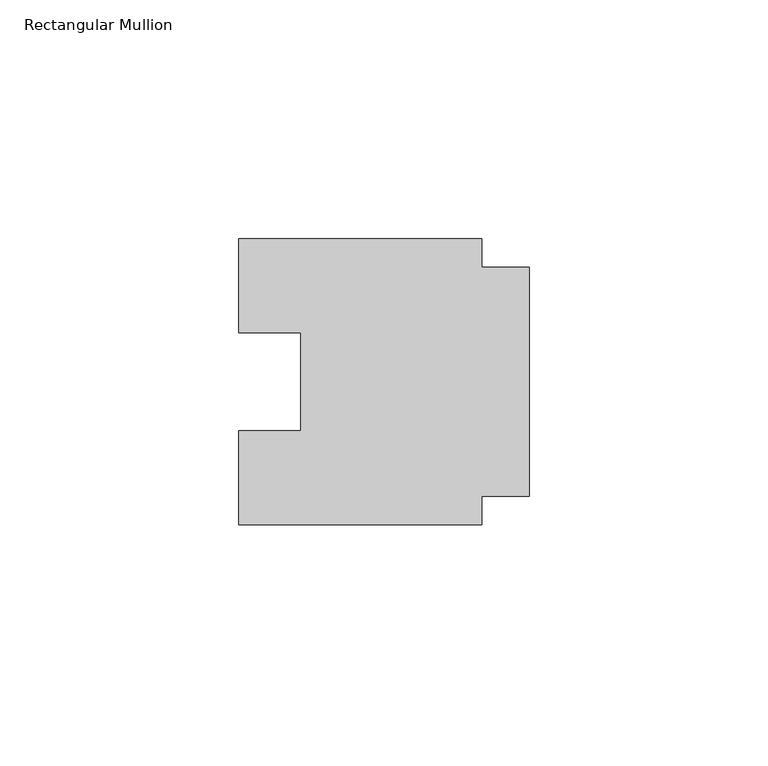
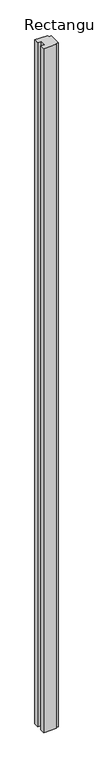
"""IFC4 building model written with IfcOpenShell, lengths in millimetres: member geometry, Rectangular Mullion."""

from ifc_helpers import new_model, si_unit, frame, origin, place, context, project, spatial, polyline, outline, extrude, source, transform, mapped, element, save


def rectangular_mullion_b99c5b74(model_context):
    return source(origin(), model_context, "Body", "SweptSolid", [
        extrude(outline(polyline([(0.0, 24.0), (0.0, -24.0), (-10.0, -24.0), (-10.0, -30.0), (-61.0, -30.0), (-61.0, -10.25), (-48.0, -10.25), (-48.0, 10.25), (-61.0, 10.25), (-61.0, 30.0), (-10.0, 30.0), (-10.0, 24.0), (0.0, 24.0)])), frame((0.0, 0.0, -2878.0), z_axis=(0.0, 0.0, 1.0), x_axis=(1.0, 0.0, 0.0)), (0.0, 0.0, 1.0), 2878.0),
    ])


if __name__ == "__main__":
    model = new_model("IFC4")
    model_context = context("Model", 3, world=origin())
    ifc_project = project(units=[si_unit("LENGTHUNIT", "METRE", prefix="MILLI")], contexts=[model_context])
    site = spatial("IfcSite", under=ifc_project)
    building = spatial("IfcBuilding", under=site)
    placement = place(None, origin())
    rectangular_mullion_shape = rectangular_mullion_b99c5b74(model_context)
    element("IfcMember", 1, ObjectType="Rectangular Mullion", at=placement, inside=building, context=model_context, shape_type="MappedRepresentation", body=[
        mapped(rectangular_mullion_shape, transform((0.0, 0.0, 0.0), x_axis=(1.0, 0.0, 0.0), y_axis=(0.0, 1.0, 0.0), z_axis=(0.0, 0.0, 1.0))),
    ])
    save(model, "model.ifc")
